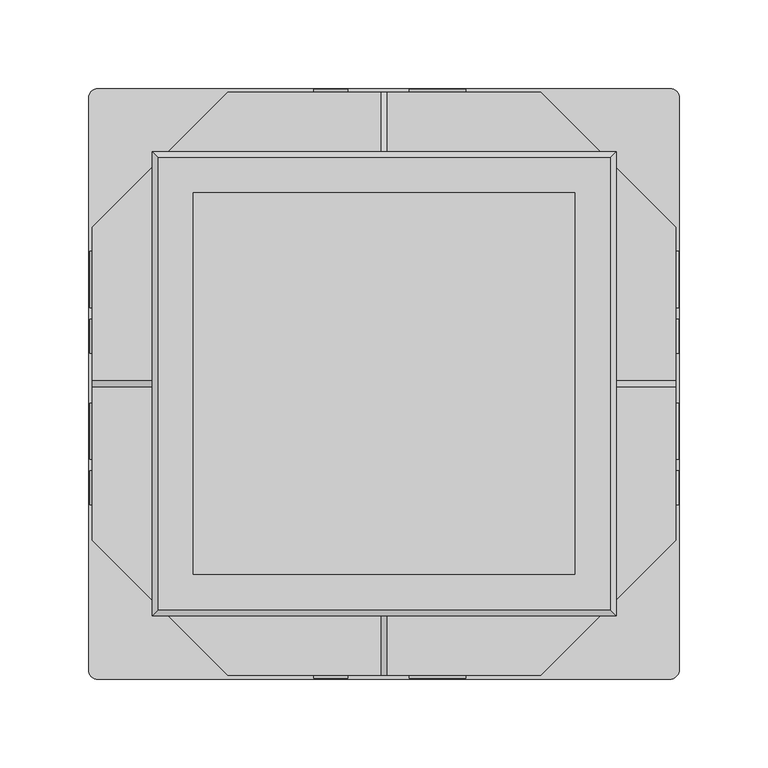
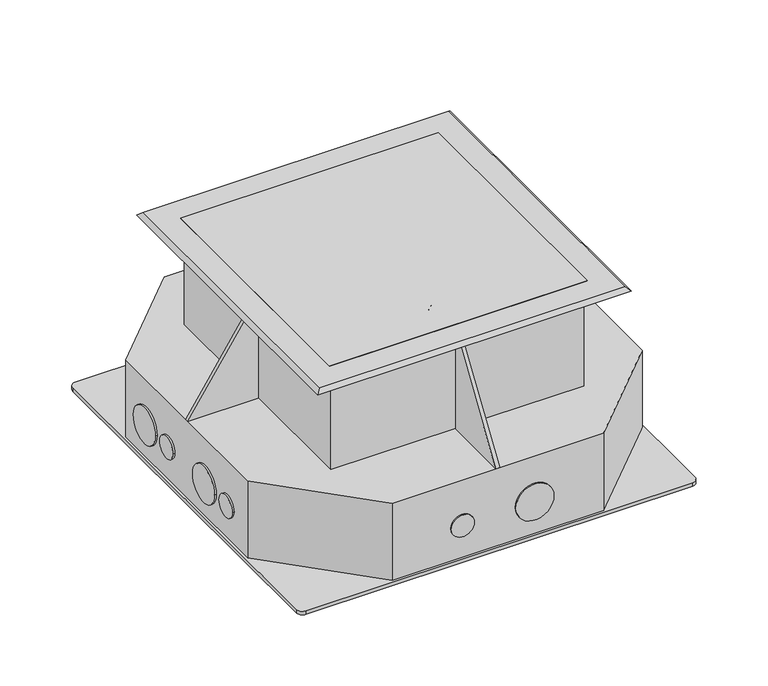
"""IFC4 building model written with IfcOpenShell, lengths in millimetres: proxy geometry."""

from ifc_helpers import new_model, si_unit, point, frame, frame_2d, origin, origin_with_axes, place, context, project, spatial, polyline, circle_curve, trimmed, segment, composite_curve, outline, extrude, faceted_brep, source, transform, mapped, element, save


def electrical_fixtures_1a09bc2e(model_context):
    return source(origin(), model_context, "Body", "SolidModel", [
        extrude(outline(polyline([(-41.0996044, -78.994), (41.2109635, -78.994), (41.2109635, -82.55), (-41.0996044, -82.55), (-41.0996044, -78.994)])), frame((0.0, 0.0, -160.2571439), z_axis=(0.0, 0.0, 1.0), x_axis=(1.0, 0.0, 0.0)), (0.0, 0.0, 1.0), 61.3570479),
        extrude(outline(polyline([(41.0996044, 78.994), (-41.2109635, 78.994), (-41.2109635, 82.55), (41.0996044, 82.55), (41.0996044, 78.994)])), frame((0.0, 0.0, -160.2571439), z_axis=(0.0, 0.0, 1.0), x_axis=(1.0, 0.0, 0.0)), (0.0, 0.0, 1.0), 61.3570479),
        extrude(outline(polyline([(47.3953323, 75.8968764), (50.4749186, 77.6748764), (91.6302026, 6.3918336), (88.5506162, 4.6138336), (47.3953323, 75.8968764)])), frame((0.0, 0.0, -160.2571439), z_axis=(0.0, 0.0, 1.0), x_axis=(1.0, 0.0, 0.0)), (0.0, 0.0, 1.0), 61.3570479),
        extrude(outline(polyline([(47.6690068, -75.4228582), (88.8242908, -4.1398154), (91.9038771, -5.9178154), (50.7485932, -77.2008582), (47.6690068, -75.4228582)])), frame((0.0, 0.0, -160.2571439), z_axis=(0.0, 0.0, 1.0), x_axis=(1.0, 0.0, 0.0)), (0.0, 0.0, 1.0), 61.3570479),
        extrude(outline(polyline([(-88.9894941, 3.8536749), (-92.0690804, 5.6316749), (-50.9137965, 76.9147177), (-47.8342101, 75.1367177), (-88.9894941, 3.8536749)])), frame((0.0, 0.0, -160.259279), z_axis=(0.0, 0.0, 1.0), x_axis=(1.0, 0.0, 0.0)), (0.0, 0.0, 1.0), 61.3570479),
        extrude(outline(polyline([(-87.1533434, -7.0339812), (-45.9980594, -78.317024), (-49.0776458, -80.095024), (-90.2329297, -8.8119812), (-87.1533434, -7.0339812)])), frame((0.0, 0.0, -160.259279), z_axis=(0.0, 0.0, 1.0), x_axis=(1.0, 0.0, 0.0)), (0.0, 0.0, 1.0), 61.3570479),
        extrude(outline(polyline([(107.5793762, 107.5793762), (107.5793762, -107.5793762), (-107.5793762, -107.5793762), (-107.5793762, 107.5793762), (107.5793762, 107.5793762)])), origin_with_axes(), (0.0, 0.0, 1.0), 3.175),
        faceted_brep([(127.6449219, -127.6449219, 3.175), (130.8199219, -130.8199219, 0.0), (130.8199219, 130.8199219, 0.0), (127.6449219, 127.6449219, 3.175), (-127.6449219, 127.6449219, 3.175), (-130.8199219, 130.8199219, 0.0), (-130.8199219, -130.8199219, 0.0), (-127.6449219, -127.6449219, 3.175), (107.5793762, -107.5793762, 0.0), (107.5793762, -107.5793762, 3.175), (107.5793762, 107.5793762, 3.175), (107.5793762, 107.5793762, 0.0), (-107.5793762, 107.5793762, 0.0), (-107.5793762, 107.5793762, 3.175), (-107.5793762, -107.5793762, 3.175), (-107.5793762, -107.5793762, 0.0)], [[[0, 1, 2, 3]], [[4, 5, 6, 7]], [[8, 9, 10, 11]], [[12, 13, 14, 15]], [[7, 6, 1, 0]], [[15, 14, 9, 8]], [[5, 2, 1, 6], [12, 15, 8, 11]], [[3, 2, 5, 4]], [[4, 7, 0, 3], [13, 10, 9, 14]], [[11, 10, 13, 12]]]),
        extrude(outline(polyline([(-107.5793762, 61.2048384), (-43.3863371, 61.2048384), (-43.3863371, -58.4136356), (-107.5793762, -58.4136356), (-107.5793762, 61.2048384)])), origin_with_axes(), (0.0, 0.0, 1.0), 2.165918),
        extrude(outline(polyline([(107.5793762, 61.2048384), (107.5793762, -58.4136356), (43.3863371, -58.4136356), (43.3863371, 61.2048384), (107.5793762, 61.2048384)])), origin_with_axes(), (0.0, 0.0, 1.0), 2.165918),
        extrude(outline(polyline([(107.5793762, 107.5793762), (107.5793762, 49.0403137), (65.9308594, 49.0403137), (65.9308594, -49.0403137), (107.5793762, -49.0403137), (107.5793762, -107.5793762), (-107.5793762, -107.5793762), (-107.5793762, -49.0403137), (-65.9308594, -49.0403137), (-65.9308594, 49.0403137), (-107.5793762, 49.0403137), (-107.5793762, 107.5793762), (107.5793762, 107.5793762)]), holes=[composite_curve([segment(polyline([(-0.9476039, -102.5851686), (-0.9476039, -77.2559723)]), True, "CONTINUOUS"), segment(trimmed(circle_curve(frame_2d((0.0, -89.9205704)), 12.7), [point((-0.9476039, -77.2559723))], [point((-0.9476039, -102.5851686))], True, "CARTESIAN"), True, "CONTINUOUS")], self_intersect=False), composite_curve([segment(polyline([(0.79375, -77.2453994), (0.79375, -102.5957415)]), True, "CONTINUOUS"), segment(trimmed(circle_curve(frame_2d((0.0, -89.9205704)), 12.7), [point((0.79375, -102.5957415))], [point((0.79375, -77.2453994))], True, "CARTESIAN"), True, "CONTINUOUS")], self_intersect=False)]), origin_with_axes(), (0.0, 0.0, 1.0), 3.175),
        extrude(outline(polyline([(107.5793762, 46.5611126), (107.5793762, -46.5611126), (68.0903137, -46.5611126), (68.0903137, 46.5611126), (107.5793762, 46.5611126)])), origin_with_axes(), (0.0, 0.0, 1.0), 3.175),
        extrude(outline(polyline([(-107.5793762, 46.5611126), (-68.0903137, 46.5611126), (-68.0903137, -46.5611126), (-107.5793762, -46.5611126), (-107.5793762, 46.5611126)])), origin_with_axes(), (0.0, 0.0, 1.0), 3.175),
        faceted_brep([(-1.5875, 105.537, -90.17), (-1.5875, 164.465, -90.17), (1.5875, 164.465, -90.17), (1.5875, 105.537, -90.17), (105.537, 105.537, -90.17), (105.537, 1.5875, -90.17), (164.465, 1.5875, -90.17), (164.465, -1.5875, -90.17), (105.537, -1.5875, -90.17), (105.537, -105.537, -90.17), (1.5875, -105.537, -90.17), (1.5875, -164.465, -90.17), (-1.5875, -164.465, -90.17), (-1.5875, -105.537, -90.17), (-105.537, -105.537, -90.17), (-105.537, -1.5875, -90.17), (-164.465, -1.5875, -90.17), (-164.465, 1.5875, -90.17), (-105.537, 1.5875, -90.17), (-105.537, 105.537, -90.17), (-102.362, 102.362, -90.17), (-102.362, -102.362, -90.17), (102.362, -102.362, -90.17), (102.362, 102.362, -90.17), (-1.5875, 105.537, 0.0), (-105.537, 105.537, 0.0), (-105.537, 1.5875, 0.0), (-105.537, -1.5875, 0.0), (-105.537, -105.537, 0.0), (-1.5875, -105.537, 0.0), (1.5875, -105.537, 0.0), (105.537, -105.537, 0.0), (105.537, -1.5875, 0.0), (105.537, 1.5875, 0.0), (105.537, 105.537, 0.0), (1.5875, 105.537, 0.0), (-102.362, 102.362, 0.0), (102.362, 102.362, 0.0), (102.362, -102.362, 0.0), (-102.362, -102.362, 0.0)], [[[0, 1, 2, 3, 4, 5, 6, 7, 8, 9, 10, 11, 12, 13, 14, 15, 16, 17, 18, 19], [20, 21, 22, 23]], [[24, 25, 26, 27, 28, 29, 30, 31, 32, 33, 34, 35], [36, 37, 38, 39]], [[28, 14, 13, 29]], [[9, 31, 30, 10]], [[31, 9, 8, 32]], [[4, 34, 33, 5]], [[34, 4, 3, 35]], [[19, 25, 24, 0]], [[14, 28, 27, 15]], [[25, 19, 18, 26]], [[20, 23, 37, 36]], [[23, 22, 38, 37]], [[22, 21, 39, 38]], [[21, 20, 36, 39]], [[1, 0, 24]], [[12, 29, 13]], [[11, 10, 30]], [[2, 35, 3]], [[1, 24, 35, 2]], [[29, 12, 11, 30]], [[16, 15, 27]], [[7, 32, 8]], [[6, 5, 33]], [[17, 26, 18]], [[32, 7, 6, 33]], [[16, 27, 26, 17]]]),
        extrude(outline(composite_curve([segment(trimmed(circle_curve(frame_2d((-129.5796875, -30.0703569)), 9.525), [point((-129.5796875, -20.5453569))], [point((-129.5796875, -39.5953569))], False, "CARTESIAN"), True, "CONTINUOUS"), segment(trimmed(circle_curve(frame_2d((-129.5796875, -30.0703569)), 9.525), [point((-129.5796875, -39.5953569))], [point((-129.5796875, -20.5453569))], False, "CARTESIAN"), True, "CONTINUOUS")], self_intersect=False)), frame((0.0, 164.465, 0.0), z_axis=(0.0, 1.0, 0.0), x_axis=(0.0, 0.0, 1.0)), (0.0, 0.0, 1.0), 1.5875),
        extrude(outline(composite_curve([segment(trimmed(circle_curve(frame_2d((-129.5796875, 30.0703569)), 15.875), [point((-129.5796875, 14.1953569))], [point((-129.5796875, 45.9453569))], False, "CARTESIAN"), True, "CONTINUOUS"), segment(trimmed(circle_curve(frame_2d((-129.5796875, 30.0703569)), 15.875), [point((-129.5796875, 45.9453569))], [point((-129.5796875, 14.1953569))], False, "CARTESIAN"), True, "CONTINUOUS")], self_intersect=False)), frame((0.0, 164.465, 0.0), z_axis=(0.0, 1.0, 0.0), x_axis=(0.0, 0.0, 1.0)), (0.0, 0.0, 1.0), 1.5875),
        extrude(outline(composite_curve([segment(trimmed(circle_curve(frame_2d((-26.8161471, -129.5796875)), 15.875), [point((-10.9411471, -129.5796875))], [point((-42.6911471, -129.5796875))], False, "CARTESIAN"), True, "CONTINUOUS"), segment(trimmed(circle_curve(frame_2d((-26.8161471, -129.5796875)), 15.875), [point((-42.6911471, -129.5796875))], [point((-10.9411471, -129.5796875))], False, "CARTESIAN"), True, "CONTINUOUS")], self_intersect=False)), frame((-166.0525, 0.0, 0.0), z_axis=(1.0, 0.0, 0.0), x_axis=(0.0, 1.0, 0.0)), (0.0, 0.0, 1.0), 1.5875),
        extrude(outline(composite_curve([segment(trimmed(circle_curve(frame_2d((-58.6969001, -129.5796875)), 9.525), [point((-49.1719001, -129.5796875))], [point((-68.2219001, -129.5796875))], False, "CARTESIAN"), True, "CONTINUOUS"), segment(trimmed(circle_curve(frame_2d((-58.6969001, -129.5796875)), 9.525), [point((-68.2219001, -129.5796875))], [point((-49.1719001, -129.5796875))], False, "CARTESIAN"), True, "CONTINUOUS")], self_intersect=False)), frame((-166.0525, 0.0, 0.0), z_axis=(1.0, 0.0, 0.0), x_axis=(0.0, 1.0, 0.0)), (0.0, 0.0, 1.0), 1.5875),
        extrude(outline(composite_curve([segment(trimmed(circle_curve(frame_2d((26.8161471, -129.5796875)), 9.525), [point((17.2911471, -129.5796875))], [point((36.3411471, -129.5796875))], False, "CARTESIAN"), True, "CONTINUOUS"), segment(trimmed(circle_curve(frame_2d((26.8161471, -129.5796875)), 9.525), [point((36.3411471, -129.5796875))], [point((17.2911471, -129.5796875))], False, "CARTESIAN"), True, "CONTINUOUS")], self_intersect=False)), frame((-166.0525, 0.0, 0.0), z_axis=(1.0, 0.0, 0.0), x_axis=(0.0, 1.0, 0.0)), (0.0, 0.0, 1.0), 1.5875),
        extrude(outline(composite_curve([segment(trimmed(circle_curve(frame_2d((58.6969001, -129.5796875)), 15.875), [point((42.8219001, -129.5796875))], [point((74.5719001, -129.5796875))], False, "CARTESIAN"), True, "CONTINUOUS"), segment(trimmed(circle_curve(frame_2d((58.6969001, -129.5796875)), 15.875), [point((74.5719001, -129.5796875))], [point((42.8219001, -129.5796875))], False, "CARTESIAN"), True, "CONTINUOUS")], self_intersect=False)), frame((-166.0525, 0.0, 0.0), z_axis=(1.0, 0.0, 0.0), x_axis=(0.0, 1.0, 0.0)), (0.0, 0.0, 1.0), 1.5875),
        extrude(outline(polyline([(88.265, 164.465), (164.465, 88.265), (164.465, -88.265), (88.265, -164.465), (-88.265, -164.465), (-164.465, -88.265), (-164.465, 88.265), (-88.265, 164.465), (88.265, 164.465)]), holes=[polyline([(95.3205294, 0.0), (47.6602647, 82.55), (-47.6602647, 82.55), (-95.3205294, 0.0), (-47.6602647, -82.55), (47.6602647, -82.55), (95.3205294, 0.0)])]), frame((0.0, 0.0, -158.1546875), z_axis=(0.0, 0.0, 1.0), x_axis=(1.0, 0.0, 0.0)), (0.0, 0.0, 1.0), 67.9846875),
        extrude(outline(composite_curve([segment(trimmed(circle_curve(frame_2d((-129.5796875, -30.0703569)), 9.525), [point((-129.5796875, -20.5453569))], [point((-129.5796875, -39.5953569))], False, "CARTESIAN"), True, "CONTINUOUS"), segment(trimmed(circle_curve(frame_2d((-129.5796875, -30.0703569)), 9.525), [point((-129.5796875, -39.5953569))], [point((-129.5796875, -20.5453569))], False, "CARTESIAN"), True, "CONTINUOUS")], self_intersect=False)), frame((0.0, -166.0525, 0.0), z_axis=(0.0, 1.0, 0.0), x_axis=(0.0, 0.0, 1.0)), (0.0, 0.0, 1.0), 1.5875),
        extrude(outline(composite_curve([segment(trimmed(circle_curve(frame_2d((-129.5796875, 30.0703569)), 15.875), [point((-129.5796875, 14.1953569))], [point((-129.5796875, 45.9453569))], False, "CARTESIAN"), True, "CONTINUOUS"), segment(trimmed(circle_curve(frame_2d((-129.5796875, 30.0703569)), 15.875), [point((-129.5796875, 45.9453569))], [point((-129.5796875, 14.1953569))], False, "CARTESIAN"), True, "CONTINUOUS")], self_intersect=False)), frame((0.0, -166.0525, 0.0), z_axis=(0.0, 1.0, 0.0), x_axis=(0.0, 0.0, 1.0)), (0.0, 0.0, 1.0), 1.5875),
        extrude(outline(composite_curve([segment(trimmed(circle_curve(frame_2d((161.2470054, 161.1635354)), 5.1706579), [point((161.2470054, 166.3341933))], [point((166.4176633, 161.1635354))], False, "CARTESIAN"), True, "CONTINUOUS"), segment(polyline([(166.4176633, 161.1635354), (166.4176633, -161.1635354)]), True, "CONTINUOUS"), segment(trimmed(circle_curve(frame_2d((160.921392, -161.1635354)), 5.4962713), [point((166.4176633, -161.1635354))], [point((160.921392, -166.6598067))], False, "CARTESIAN"), True, "CONTINUOUS"), segment(polyline([(160.921392, -166.6598067), (-161.3123031, -166.6598067)]), True, "CONTINUOUS"), segment(trimmed(circle_curve(frame_2d((-161.3123031, -161.395773)), 5.2640337), [point((-161.3123031, -166.6598067))], [point((-166.5763367, -161.395773))], False, "CARTESIAN"), True, "CONTINUOUS"), segment(polyline([(-166.5763367, -161.395773), (-166.5763367, 161.004862)]), True, "CONTINUOUS"), segment(trimmed(circle_curve(frame_2d((-161.2470054, 161.004862)), 5.3293313), [point((-166.5763367, 161.004862))], [point((-161.2470054, 166.3341933))], False, "CARTESIAN"), True, "CONTINUOUS"), segment(polyline([(-161.2470054, 166.3341933), (161.2470054, 166.3341933)]), True, "CONTINUOUS")], self_intersect=False)), frame((0.0, 0.0, -161.3296875), z_axis=(0.0, 0.0, 1.0), x_axis=(1.0, 0.0, 0.0)), (0.0, 0.0, 1.0), 3.175),
        extrude(outline(composite_curve([segment(trimmed(circle_curve(frame_2d((26.8161471, -129.5796875)), 9.525), [point((17.2911471, -129.5796875))], [point((36.3411471, -129.5796875))], False, "CARTESIAN"), True, "CONTINUOUS"), segment(trimmed(circle_curve(frame_2d((26.8161471, -129.5796875)), 9.525), [point((36.3411471, -129.5796875))], [point((17.2911471, -129.5796875))], False, "CARTESIAN"), True, "CONTINUOUS")], self_intersect=False)), frame((164.465, 0.0, 0.0), z_axis=(1.0, 0.0, 0.0), x_axis=(0.0, 1.0, 0.0)), (0.0, 0.0, 1.0), 1.5875),
        extrude(outline(composite_curve([segment(trimmed(circle_curve(frame_2d((58.6969001, -129.5796875)), 15.875), [point((42.8219001, -129.5796875))], [point((74.5719001, -129.5796875))], False, "CARTESIAN"), True, "CONTINUOUS"), segment(trimmed(circle_curve(frame_2d((58.6969001, -129.5796875)), 15.875), [point((74.5719001, -129.5796875))], [point((42.8219001, -129.5796875))], False, "CARTESIAN"), True, "CONTINUOUS")], self_intersect=False)), frame((164.465, 0.0, 0.0), z_axis=(1.0, 0.0, 0.0), x_axis=(0.0, 1.0, 0.0)), (0.0, 0.0, 1.0), 1.5875),
        extrude(outline(composite_curve([segment(trimmed(circle_curve(frame_2d((-58.6969001, -129.5796875)), 9.525), [point((-49.1719001, -129.5796875))], [point((-68.2219001, -129.5796875))], False, "CARTESIAN"), True, "CONTINUOUS"), segment(trimmed(circle_curve(frame_2d((-58.6969001, -129.5796875)), 9.525), [point((-68.2219001, -129.5796875))], [point((-49.1719001, -129.5796875))], False, "CARTESIAN"), True, "CONTINUOUS")], self_intersect=False)), frame((164.465, 0.0, 0.0), z_axis=(1.0, 0.0, 0.0), x_axis=(0.0, 1.0, 0.0)), (0.0, 0.0, 1.0), 1.5875),
        extrude(outline(composite_curve([segment(trimmed(circle_curve(frame_2d((-26.8161471, -129.5796875)), 15.875), [point((-10.9411471, -129.5796875))], [point((-42.6911471, -129.5796875))], False, "CARTESIAN"), True, "CONTINUOUS"), segment(trimmed(circle_curve(frame_2d((-26.8161471, -129.5796875)), 15.875), [point((-42.6911471, -129.5796875))], [point((-10.9411471, -129.5796875))], False, "CARTESIAN"), True, "CONTINUOUS")], self_intersect=False)), frame((164.465, 0.0, 0.0), z_axis=(1.0, 0.0, 0.0), x_axis=(0.0, 1.0, 0.0)), (0.0, 0.0, 1.0), 1.5875),
    ])


if __name__ == "__main__":
    model = new_model("IFC4")
    model_context = context("Model", 3, world=origin())
    ifc_project = project(units=[si_unit("LENGTHUNIT", "METRE", prefix="MILLI")], contexts=[model_context])
    site = spatial("IfcSite", under=ifc_project)
    building = spatial("IfcBuilding", under=site)
    placement = place(None, origin())
    electrical_fixtures_shape = electrical_fixtures_1a09bc2e(model_context)
    element("IfcBuildingElementProxy", 1, Name="Electrical Fixtures", at=placement, inside=building, context=model_context, shape_type="MappedRepresentation", body=[
        mapped(electrical_fixtures_shape, transform((0.0, 0.0, 0.0), x_axis=(1.0, 0.0, 0.0), y_axis=(0.0, 1.0, 0.0), z_axis=(0.0, 0.0, 1.0))),
    ])
    save(model, "model.ifc")
